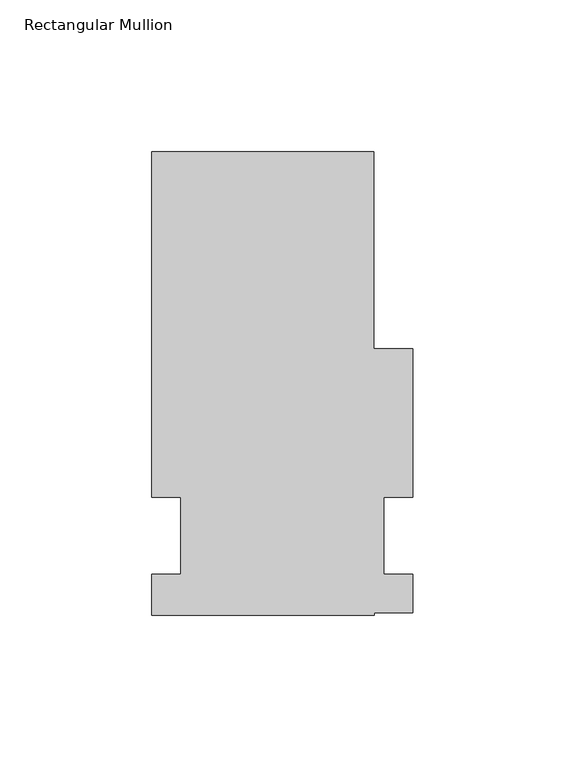
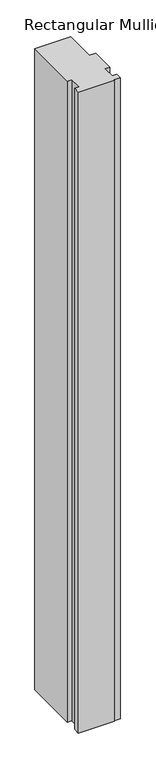
"""IFC4 building model written with IfcOpenShell, lengths in millimetres: member geometry, Rectangular Mullion."""

from ifc_helpers import new_model, si_unit, frame, origin, place, context, project, spatial, polyline, outline, extrude, source, transform, mapped, element, save


def rectangular_mullion_73427d27(model_context):
    return source(origin(), model_context, "Body", "SweptSolid", [
        extrude(outline(polyline([(-36.5125, -26.19375), (-36.5125, -12.7), (-26.9875, -12.7), (-26.9875, 12.7), (-36.5125, 12.7), (-36.5125, 126.20625), (36.5125, 126.20625), (36.5125, 61.5592912), (49.2125, 61.5592912), (49.2125, 12.7), (39.6875, 12.7), (39.6875, -12.7), (49.2125, -12.7), (49.2125, -25.3755825), (36.5231446, -25.3755825), (36.5231446, -26.19375), (-36.5125, -26.19375)])), frame((0.0, 0.0, -1371.6), z_axis=(0.0, 0.0, 1.0), x_axis=(1.0, 0.0, 0.0)), (0.0, 0.0, 1.0), 1371.6),
    ])


if __name__ == "__main__":
    model = new_model("IFC4")
    model_context = context("Model", 3, world=origin())
    ifc_project = project(units=[si_unit("LENGTHUNIT", "METRE", prefix="MILLI")], contexts=[model_context])
    site = spatial("IfcSite", under=ifc_project)
    building = spatial("IfcBuilding", under=site)
    placement = place(None, origin())
    rectangular_mullion_shape = rectangular_mullion_73427d27(model_context)
    element("IfcMember", 1, ObjectType="Rectangular Mullion", at=placement, inside=building, context=model_context, shape_type="MappedRepresentation", body=[
        mapped(rectangular_mullion_shape, transform((0.0, 0.0, 0.0), x_axis=(1.0, 0.0, 0.0), y_axis=(0.0, 1.0, 0.0), z_axis=(0.0, 0.0, 1.0))),
    ])
    save(model, "model.ifc")
